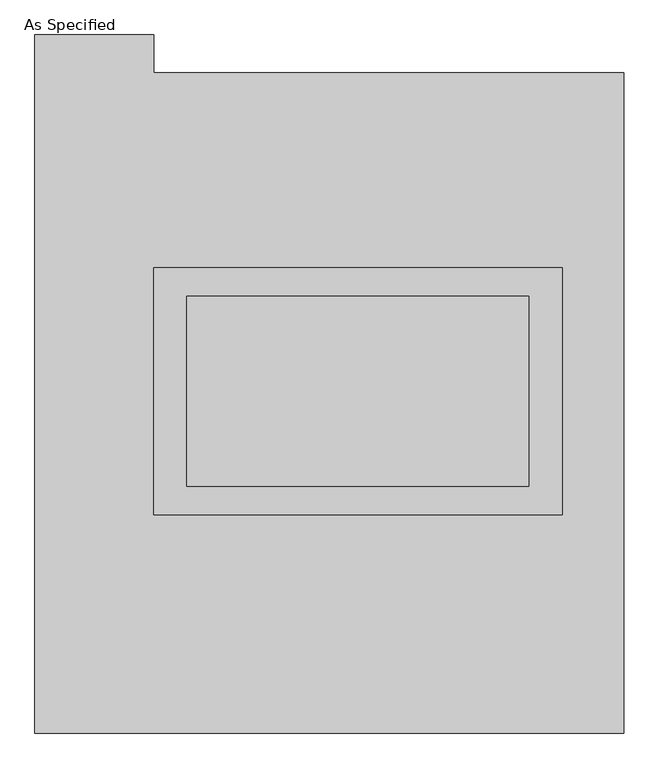
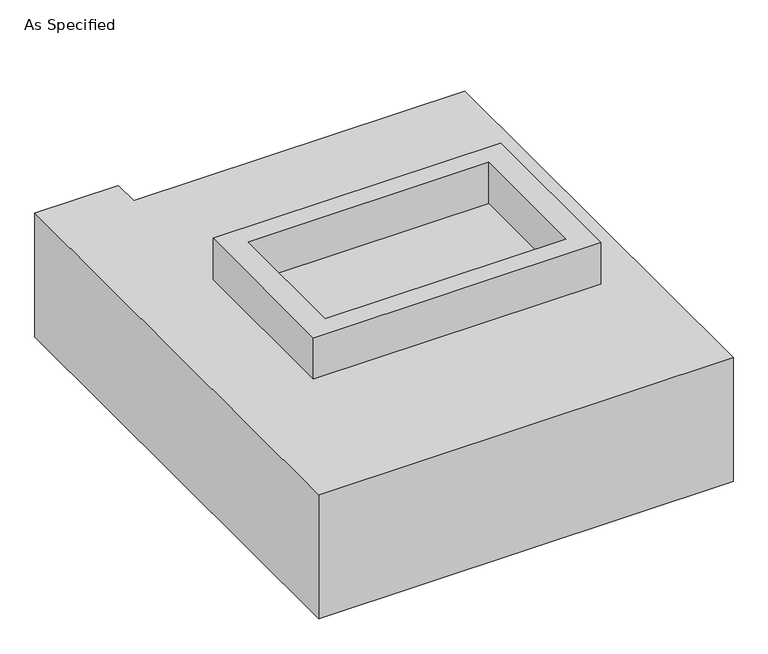
"""IFC4 building model written with IfcOpenShell, lengths in millimetres: proxy geometry, As Specified."""

from ifc_helpers import new_model, si_unit, frame, origin, place, context, project, spatial, polyline, outline, extrude, faceted_brep, source, transform, mapped, element, save


def as_specified_efd65905(model_context):
    return source(origin(), model_context, "Body", "SolidModel", [
        extrude(outline(polyline([(546.1, 361.95), (546.1, -298.45), (-546.1, -298.45), (-546.1, 361.95), (546.1, 361.95)]), holes=[polyline([(457.2, 285.75), (-457.2, 285.75), (-457.2, -222.25), (457.2, -222.25), (457.2, 285.75)])]), frame((0.0, 0.0, -25.4), z_axis=(0.0, 0.0, 1.0), x_axis=(1.0, 0.0, 0.0)), (0.0, 0.0, 1.0), 165.1),
        extrude(outline(polyline([(457.2, 285.75), (457.2, -222.25), (-457.2, -222.25), (-457.2, 285.75), (457.2, 285.75)])), frame((0.0, 0.0, -30.3609375), z_axis=(0.0, 0.0, 1.0), x_axis=(1.0, 0.0, 0.0)), (0.0, 0.0, 1.0), 4.9609375),
        faceted_brep([(711.2, -882.65, -523.875), (-863.6, -882.65, -523.875), (-863.6, 984.25, -523.875), (-546.1, 984.25, -523.875), (-546.1, 882.65, -523.875), (711.2, 882.65, -523.875), (-863.6, -882.65, -25.4), (711.2, -882.65, -25.4), (711.2, 882.65, -25.4), (-546.1, 882.65, -25.4), (-546.1, 984.25, -25.4), (-863.6, 984.25, -25.4), (-546.1, -298.45, -25.4), (-546.1, 361.95, -25.4), (546.1, 361.95, -25.4), (546.1, -298.45, -25.4), (546.1, 361.95, -498.475), (-546.1, 361.95, -498.475), (-546.1, -298.45, -498.475), (546.1, -298.45, -498.475)], [[[0, 1, 2, 3, 4, 5]], [[6, 7, 8, 9, 10, 11], [12, 13, 14, 15]], [[8, 5, 4, 9]], [[2, 1, 6, 11]], [[5, 8, 7, 0]], [[16, 17, 18, 19]], [[18, 17, 13, 12]], [[17, 16, 14, 13]], [[16, 19, 15, 14]], [[12, 15, 19, 18]], [[1, 0, 7, 6]], [[4, 3, 10, 9]], [[3, 2, 11, 10]]]),
    ])


if __name__ == "__main__":
    model = new_model("IFC4")
    model_context = context("Model", 3, world=origin())
    ifc_project = project(units=[si_unit("LENGTHUNIT", "METRE", prefix="MILLI")], contexts=[model_context])
    site = spatial("IfcSite", under=ifc_project)
    building = spatial("IfcBuilding", under=site)
    placement = place(None, origin())
    as_specified_shape = as_specified_efd65905(model_context)
    element("IfcBuildingElementProxy", 1, Name="As Specified", ObjectType="As Specified", at=placement, inside=building, context=model_context, shape_type="MappedRepresentation", body=[
        mapped(as_specified_shape, transform((0.0, 0.0, 0.0), x_axis=(1.0, 0.0, 0.0), y_axis=(0.0, 1.0, 0.0), z_axis=(0.0, 0.0, 1.0))),
    ])
    save(model, "model.ifc")
